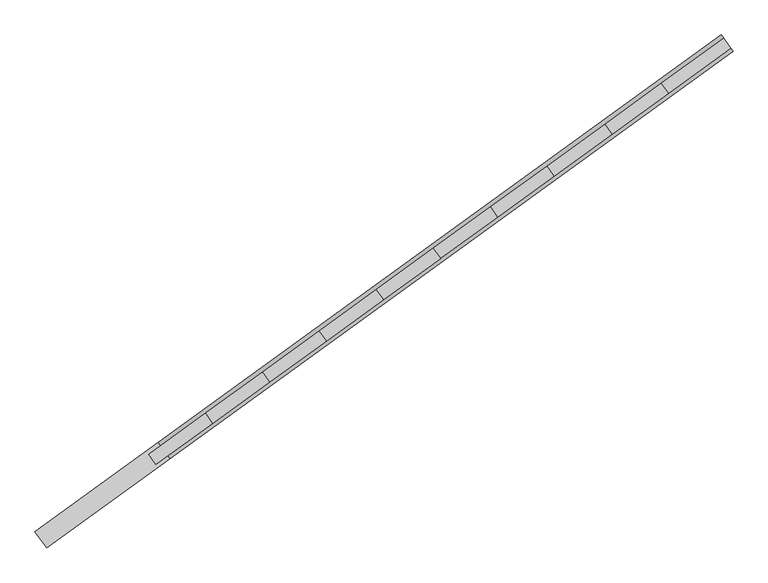
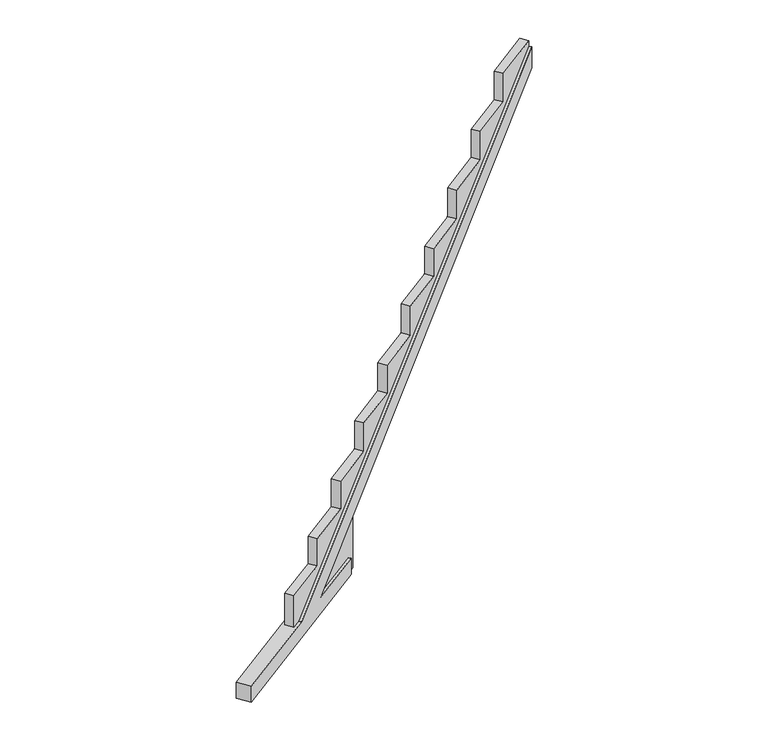
"""IFC4 building model written with IfcOpenShell, lengths in millimetres: beam geometry."""

from ifc_helpers import new_model, si_unit, origin, place, context, project, spatial, faceted_brep, source, transform, mapped, element, save


def beam_2e95cab7(model_context):
    return source(origin(), model_context, "Body", "Brep", [
        faceted_brep([(115308.409768, 101589.6896151, -304.125), (115308.409768, 101589.6896151, -76.4737243), (114597.8474069, 101075.0371965, -76.4737243), (119487.0944008, 104616.2644386, 3606.3888764), (119487.0944008, 104616.2644386, 3905.9492225), (114163.6620007, 100760.5615338, -76.4737243), (112998.9715431, 99916.9891837, -76.4737243), (112998.9715431, 99916.9891837, -304.125), (115197.0455836, 101743.4461991, -304.125), (112887.6073586, 100070.7457677, -304.125), (112887.6073586, 100070.7457677, -76.4737243), (114052.2978163, 100914.3181178, -76.4737243), (119375.7302164, 104770.0210226, 3905.9492225), (119375.7302164, 104770.0210226, 3606.3888764), (114486.4832224, 101228.7937805, -76.4737243), (115197.0455836, 101743.4461991, -76.4737243), (115219.2736467, 101712.7567, -304.125), (115320.7672861, 101786.2674147, -304.125), (115389.4772957, 101691.4019388, -304.125), (115287.9836562, 101617.8912241, -304.125), (114143.2358889, 100788.7631428, -76.4737243), (114030.5347351, 100707.1349501, -76.4737243), (113961.8247256, 100802.000426, -76.4737243), (114074.5258793, 100883.6286187, -76.4737243), (119397.9582795, 104739.3315235, 3905.9492225), (119397.9582795, 104739.3315235, 3982.5116193), (119466.668289, 104644.4660475, 3982.5116193), (119466.668289, 104644.4660475, 3905.9492225), (114577.421295, 101103.2388054, -76.4737243), (115389.4772957, 101691.4019388, 535.2136538), (115320.7672861, 101786.2674147, 535.2136538), (114508.7112855, 101198.1042814, -76.4737243), (115287.9836562, 101617.8912241, -76.4737243), (115219.2736467, 101712.7567, -76.4737243), (118877.0267208, 104217.395215, 3982.5116193), (118877.0267208, 104217.395215, 3577.5728422), (118345.118638, 103832.140104, 3577.5728422), (118345.118638, 103832.140104, 3173.8243174), (117798.3701899, 103436.1362814, 3173.8243174), (117798.3701899, 103436.1362814, 2763.3745723), (117263.7907267, 103048.9463194, 2763.3745723), (117263.7907267, 103048.9463194, 2367.9766577), (116722.4272602, 102656.8427792, 2367.9766577), (116722.4272602, 102656.8427792, 1957.5269125), (116183.7773951, 102266.7046702, 1957.5269125), (116183.7773951, 102266.7046702, 1558.804303), (115645.1486404, 101876.5818514, 1558.804303), (115645.1486404, 101876.5818514, 1155.0557782), (115107.8344654, 101487.411168, 1155.0557782), (115107.8344654, 101487.411168, 757.9825585), (114569.1846003, 101097.273059, 757.9825585), (114569.1846003, 101097.273059, 371.0129997), (114030.5347351, 100707.1349501, 371.0129997), (113961.8247256, 100802.000426, 371.0129997), (114500.4745907, 101192.1385349, 371.0129997), (114500.4745907, 101192.1385349, 757.9825585), (115039.1244559, 101582.2766439, 757.9825585), (115039.1244559, 101582.2766439, 1155.0557782), (115576.4386309, 101971.4473273, 1155.0557782), (115576.4386309, 101971.4473273, 1558.804303), (116115.0673855, 102361.5701461, 1558.804303), (116115.0673855, 102361.5701461, 1957.5269125), (116653.7172507, 102751.7082551, 1957.5269125), (116653.7172507, 102751.7082551, 2367.9766577), (117195.0807172, 103143.8117953, 2367.9766577), (117195.0807172, 103143.8117953, 2763.3745723), (117729.6601803, 103531.0017574, 2763.3745723), (117729.6601803, 103531.0017574, 3173.8243174), (118276.4086285, 103927.0055799, 3173.8243174), (118276.4086285, 103927.0055799, 3577.5728422), (118808.3167113, 104312.2606909, 3577.5728422), (118808.3167113, 104312.2606909, 3982.5116193)], [[[0, 1, 2, 3, 4, 5, 6, 7]], [[8, 9, 10, 11, 12, 13, 14, 15]], [[0, 7, 9, 8, 16, 17, 18, 19]], [[9, 7, 6, 10]], [[6, 5, 20, 21, 22, 23, 11, 10]], [[4, 3, 13, 12, 24, 25, 26, 27]], [[3, 2, 28, 29, 30, 31, 14, 13]], [[2, 1, 32, 28]], [[15, 14, 31, 33]], [[1, 0, 19, 32]], [[8, 15, 33, 16]], [[19, 18, 29, 28, 32]], [[26, 34, 35, 36, 37, 38, 39, 40, 41, 42, 43, 44, 45, 46, 47, 48, 49, 50, 51, 52, 21, 20, 27]], [[17, 16, 33, 31, 30]], [[53, 54, 55, 56, 57, 58, 59, 60, 61, 62, 63, 64, 65, 66, 67, 68, 69, 70, 71, 25, 24, 23, 22]], [[18, 17, 30, 29]], [[52, 53, 22, 21]], [[52, 51, 54, 53]], [[51, 50, 55, 54]], [[50, 49, 56, 55]], [[49, 48, 57, 56]], [[48, 47, 58, 57]], [[47, 46, 59, 58]], [[46, 45, 60, 59]], [[45, 44, 61, 60]], [[44, 43, 62, 61]], [[43, 42, 63, 62]], [[42, 41, 64, 63]], [[41, 40, 65, 64]], [[40, 39, 66, 65]], [[39, 38, 67, 66]], [[38, 37, 68, 67]], [[37, 36, 69, 68]], [[36, 35, 70, 69]], [[35, 34, 71, 70]], [[34, 26, 25, 71]], [[5, 4, 27, 20]], [[12, 11, 23, 24]]]),
    ])


if __name__ == "__main__":
    model = new_model("IFC4")
    model_context = context("Model", 3, world=origin())
    ifc_project = project(units=[si_unit("LENGTHUNIT", "METRE", prefix="MILLI")], contexts=[model_context])
    site = spatial("IfcSite", under=ifc_project)
    building = spatial("IfcBuilding", under=site)
    placement = place(None, origin())
    beam_shape = beam_2e95cab7(model_context)
    element("IfcBeam", 1, at=placement, inside=building, context=model_context, shape_type="MappedRepresentation", body=[
        mapped(beam_shape, transform((0.0, 0.0, 0.0), x_axis=(1.0, 0.0, 0.0), y_axis=(0.0, 1.0, 0.0), z_axis=(0.0, 0.0, 1.0))),
    ])
    save(model, "model.ifc")
